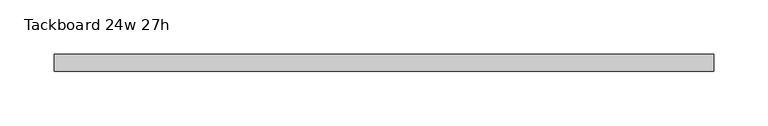
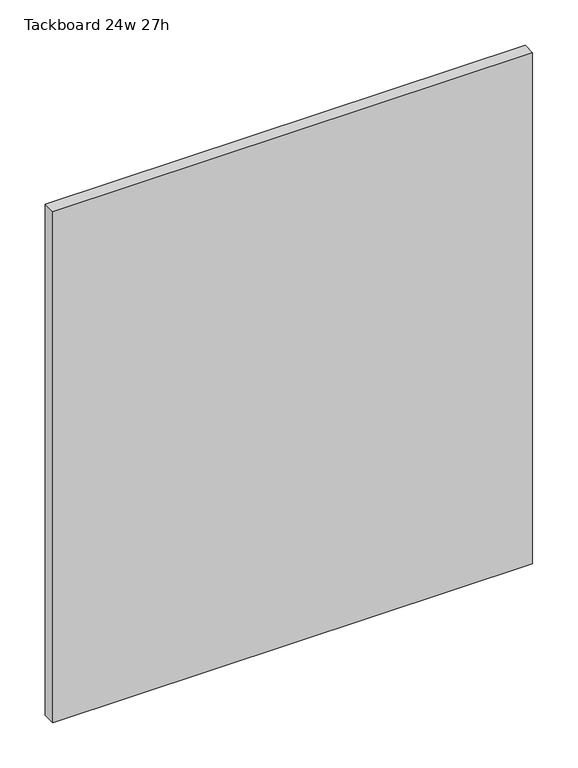
"""IFC4 building model written with IfcOpenShell, lengths in millimetres: furniture geometry, Tackboard 24w 27h."""

from ifc_helpers import new_model, si_unit, frame, origin, place, context, project, spatial, polyline, outline, extrude, source, transform, mapped, element, save


def tackboard_24w_27h_46026777(model_context):
    return source(origin(), model_context, "Body", "SweptSolid", [
        extrude(outline(polyline([(307.2402902, -28.8968594), (-302.3597098, -28.8968594), (-302.3597098, -13.0218594), (307.2402902, -13.0218594), (307.2402902, -28.8968594)])), frame((0.0, 0.0, 1066.8), z_axis=(0.0, 0.0, 1.0), x_axis=(1.0, 0.0, 0.0)), (0.0, 0.0, 1.0), 685.8),
    ])


if __name__ == "__main__":
    model = new_model("IFC4")
    model_context = context("Model", 3, world=origin())
    ifc_project = project(units=[si_unit("LENGTHUNIT", "METRE", prefix="MILLI")], contexts=[model_context])
    site = spatial("IfcSite", under=ifc_project)
    building = spatial("IfcBuilding", under=site)
    placement = place(None, origin())
    tackboard_24w_27h_shape = tackboard_24w_27h_46026777(model_context)
    element("IfcFurniture", 1, ObjectType="Tackboard 24w 27h", at=placement, inside=building, context=model_context, shape_type="MappedRepresentation", body=[
        mapped(tackboard_24w_27h_shape, transform((0.0, 0.0, 0.0), x_axis=(1.0, 0.0, 0.0), y_axis=(0.0, 1.0, 0.0), z_axis=(0.0, 0.0, 1.0))),
    ])
    save(model, "model.ifc")
